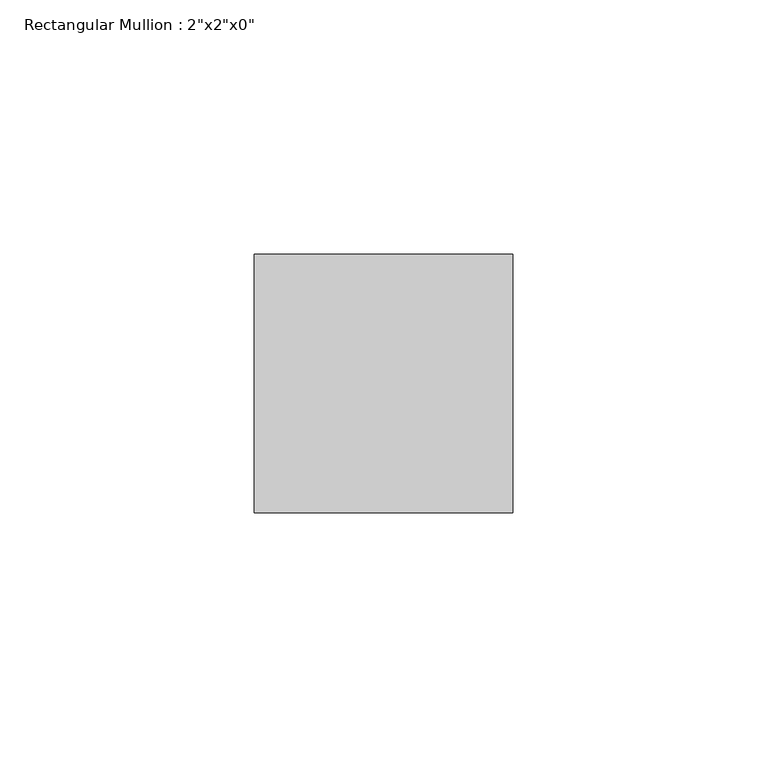
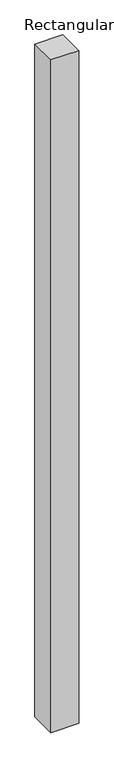
"""IFC4 building model written with IfcOpenShell, lengths in millimetres: member geometry."""

from ifc_helpers import new_model, si_unit, frame, origin, place, context, project, spatial, polyline, outline, extrude, source, transform, mapped, element, save


def member_5f529541(model_context):
    return source(origin(), model_context, "Body", "SweptSolid", [
        extrude(outline(polyline([(25.4, 25.4), (25.4, -25.4), (-25.4, -25.4), (-25.4, 25.4), (25.4, 25.4)])), frame((0.0, 0.0, -1303.5327859), z_axis=(0.0, 0.0, 1.0), x_axis=(1.0, 0.0, 0.0)), (0.0, 0.0, 1.0), 1303.5327859),
    ])


if __name__ == "__main__":
    model = new_model("IFC4")
    model_context = context("Model", 3, world=origin())
    ifc_project = project(units=[si_unit("LENGTHUNIT", "METRE", prefix="MILLI")], contexts=[model_context])
    site = spatial("IfcSite", under=ifc_project)
    building = spatial("IfcBuilding", under=site)
    placement = place(None, origin())
    member_shape = member_5f529541(model_context)
    element("IfcMember", 1, ObjectType="Rectangular Mullion : 2\"x2\"x0\"", at=placement, inside=building, context=model_context, shape_type="MappedRepresentation", body=[
        mapped(member_shape, transform((0.0, 0.0, 0.0), x_axis=(1.0, 0.0, 0.0), y_axis=(0.0, 1.0, 0.0), z_axis=(0.0, 0.0, 1.0))),
    ])
    save(model, "model.ifc")
